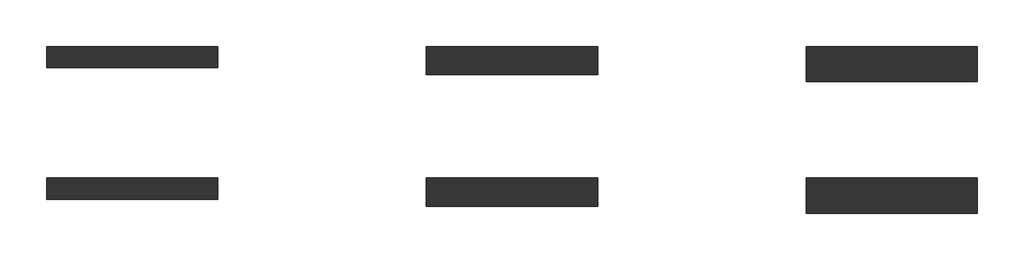
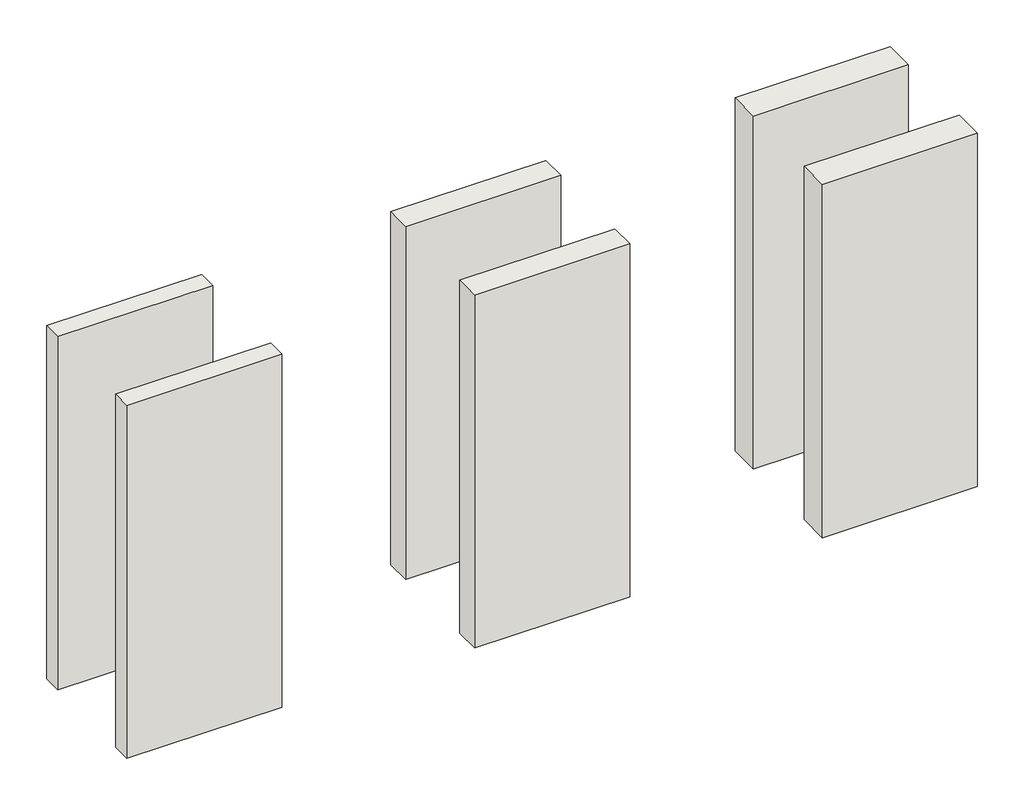
# One storey: 6 walls.
"""IFC4 building model written with IfcOpenShell, lengths in millimetres."""

from ifc_helpers import new_model, si_unit, origin, origin_with_axes, place, context, project, spatial, polyline, outline, extrude, element, save

model = new_model("IFC4")

# Units and contexts
model_context = context("Model", 3, world=origin())
ifc_project = project(units=[si_unit("LENGTHUNIT", "METRE", prefix="MILLI")], contexts=[model_context])

# Site, building, storey
site = spatial("IfcSite", under=ifc_project)
building = spatial("IfcBuilding", under=site)
storey = spatial("IfcBuildingStorey", under=building, Elevation=0.0)

# Walls
placement = place(None, origin())
element("IfcWall", 1, at=placement, inside=storey, context=model_context, shape_type="SweptSolid", body=[
    extrude(outline(polyline([(-9315.7236634, 13441.7035262), (-10560.2640717, 13441.7035262), (-10560.2640717, 13596.7035262), (-9315.7236634, 13596.7035262), (-9315.7236634, 13441.7035262)])), origin_with_axes(), (0.0, 0.0, 1.0), 3000.0),
])
element("IfcWall", 2, at=placement, inside=storey, context=model_context, shape_type="SweptSolid", body=[
    extrude(outline(polyline([(-9315.7236634, 12481.7035262), (-10560.2640717, 12481.7035262), (-10560.2640717, 12636.7035262), (-9315.7236634, 12636.7035262), (-9315.7236634, 12481.7035262)])), origin_with_axes(), (0.0, 0.0, 1.0), 3000.0),
])
element("IfcWall", 3, at=placement, inside=storey, context=model_context, shape_type="SweptSolid", body=[
    extrude(outline(polyline([(-6551.1832552, 13391.7035262), (-7795.7236634, 13391.7035262), (-7795.7236634, 13596.7035262), (-6551.1832552, 13596.7035262), (-6551.1832552, 13391.7035262)])), origin_with_axes(), (0.0, 0.0, 1.0), 3000.0),
])
element("IfcWall", 4, at=placement, inside=storey, context=model_context, shape_type="SweptSolid", body=[
    extrude(outline(polyline([(-6551.1832552, 12431.7035262), (-7795.7236634, 12431.7035262), (-7795.7236634, 12636.7035262), (-6551.1832552, 12636.7035262), (-6551.1832552, 12431.7035262)])), origin_with_axes(), (0.0, 0.0, 1.0), 3000.0),
])
element("IfcWall", 5, at=placement, inside=storey, context=model_context, shape_type="SweptSolid", body=[
    extrude(outline(polyline([(-3786.6428469, 13341.7035262), (-5031.1832552, 13341.7035262), (-5031.1832552, 13596.7035262), (-3786.6428469, 13596.7035262), (-3786.6428469, 13341.7035262)])), origin_with_axes(), (0.0, 0.0, 1.0), 3000.0),
])
element("IfcWall", 6, at=placement, inside=storey, context=model_context, shape_type="SweptSolid", body=[
    extrude(outline(polyline([(-3786.6428469, 12381.7035262), (-5031.1832552, 12381.7035262), (-5031.1832552, 12636.7035262), (-3786.6428469, 12636.7035262), (-3786.6428469, 12381.7035262)])), origin_with_axes(), (0.0, 0.0, 1.0), 3000.0),
])

save(model, "model.ifc")
